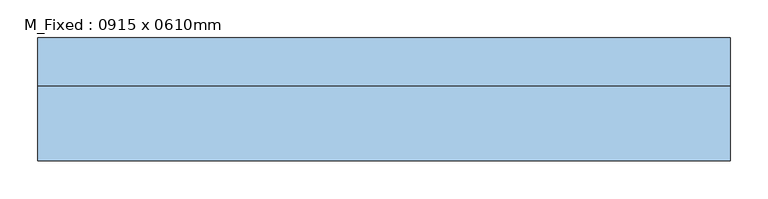
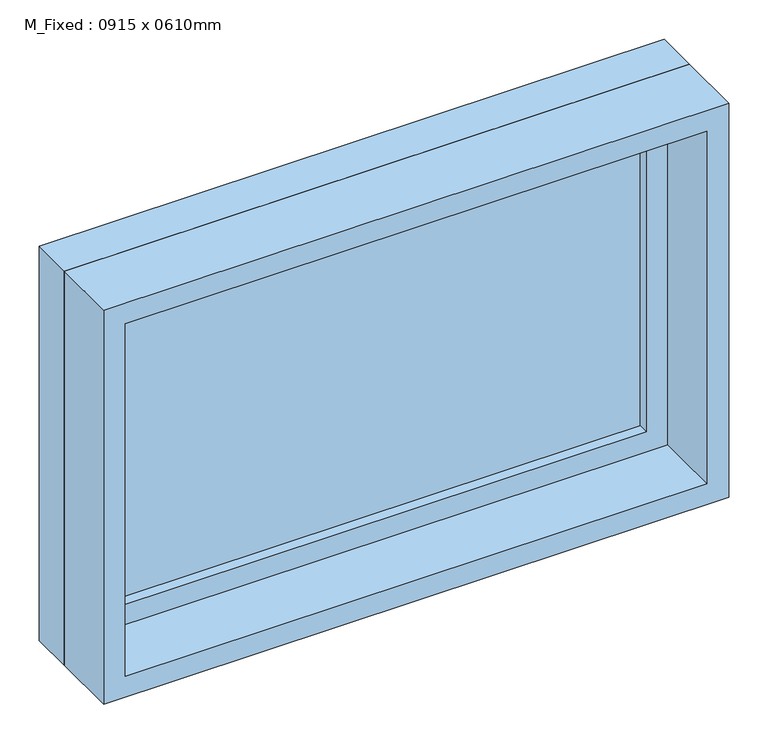
"""IFC4 building model written with IfcOpenShell, lengths in millimetres: window geometry, M_Fixed : 0915 x 0610mm."""

from ifc_helpers import new_model, si_unit, frame, origin, place, context, project, spatial, polyline, outline, extrude, source, transform, mapped, element, save


def m_fixed_0915_x_0610mm_3e6d94a9(model_context):
    return source(origin(), model_context, "Body", "SweptSolid", [
        extrude(outline(polyline([(-394.5, 59.25), (394.5, 59.25), (394.5, 47.25), (-394.5, 47.25), (-394.5, 59.25)])), frame((0.0, 0.0, 978.0), z_axis=(0.0, 0.0, 1.0), x_axis=(1.0, 0.0, 0.0)), (0.0, 0.0, 1.0), 484.0),
        extrude(outline(polyline([(1506.0, -438.5), (934.0, -438.5), (934.0, 438.5), (1506.0, 438.5), (1506.0, -438.5)]), holes=[polyline([(1462.0, -394.5), (1462.0, 394.5), (978.0, 394.5), (978.0, -394.5), (1462.0, -394.5)])]), frame((0.0, 31.25, 0.0), z_axis=(0.0, 1.0, 0.0), x_axis=(0.0, 0.0, 1.0)), (0.0, 0.0, 1.0), 44.0),
        extrude(outline(polyline([(1525.0, -457.5), (915.0, -457.5), (915.0, 457.5), (1525.0, 457.5), (1525.0, -457.5)]), holes=[polyline([(1506.0, -438.5), (1506.0, 438.5), (934.0, 438.5), (934.0, -438.5), (1506.0, -438.5)])]), frame((0.0, 31.25, 0.0), z_axis=(0.0, 1.0, 0.0), x_axis=(0.0, 0.0, 1.0)), (0.0, 0.0, 1.0), 63.0),
        extrude(outline(polyline([(1525.0, -457.5), (915.0, -457.5), (915.0, 457.5), (1525.0, 457.5), (1525.0, -457.5)]), holes=[polyline([(1493.0, -425.5), (1493.0, 425.5), (947.0, 425.5), (947.0, -425.5), (1493.0, -425.5)])]), frame((0.0, -68.25, 0.0), z_axis=(0.0, 1.0, 0.0), x_axis=(0.0, 0.0, 1.0)), (0.0, 0.0, 1.0), 99.5),
    ])


if __name__ == "__main__":
    model = new_model("IFC4")
    model_context = context("Model", 3, world=origin())
    ifc_project = project(units=[si_unit("LENGTHUNIT", "METRE", prefix="MILLI")], contexts=[model_context])
    site = spatial("IfcSite", under=ifc_project)
    building = spatial("IfcBuilding", under=site)
    placement = place(None, origin())
    m_fixed_0915_x_0610mm_shape = m_fixed_0915_x_0610mm_3e6d94a9(model_context)
    element("IfcWindow", 1, ObjectType="M_Fixed : 0915 x 0610mm", at=placement, inside=building, context=model_context, shape_type="MappedRepresentation", body=[
        mapped(m_fixed_0915_x_0610mm_shape, transform((0.0, 0.0, 0.0), x_axis=(1.0, 0.0, 0.0), y_axis=(0.0, 1.0, 0.0), z_axis=(0.0, 0.0, 1.0))),
    ])
    save(model, "model.ifc")
